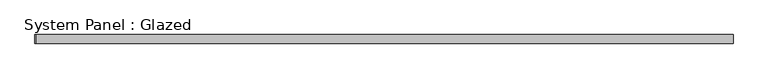
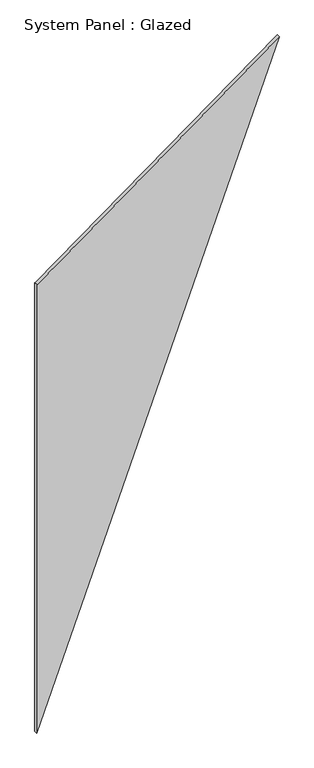
"""IFC4 building model written with IfcOpenShell, lengths in millimetres: plate geometry, System Panel : Glazed."""

import ifcopenshell
import ifcopenshell.guid

model = None  # the IFC model being written
_history = None  # IfcOwnerHistory: only IFC2X3 demands one
_inside = {}  # id of a spatial element -> (the spatial element, [elements in it])
_under = {}  # id of a project, library or spatial element -> (it, [spatial elements below it])
_declared = {}  # id of a project -> (the project, [libraries it declares])
_typed = {}  # id of a type object -> (the type object, [elements of that type])
_made_of = {}  # id of a material, layer set ... -> (it, [elements and type objects made of it])


def new_model(schema):
    """Start an empty IFC model of exactly this schema.

    Asked for "IFC4X3", IfcOpenShell would pick the latest addendum, in which some entities
    have other attributes; the version numbers below select the first issue.
    IFC2X3 requires an IfcOwnerHistory on every rooted entity: one is made here for all.
    """
    global model, _history
    if schema == "IFC4X3":
        model = ifcopenshell.file(schema_version=(4, 3, 0, 0))
    else:
        model = ifcopenshell.file(schema=schema)
    _inside.clear()
    _under.clear()
    _declared.clear()
    _typed.clear()
    _made_of.clear()
    _history = None
    if model.schema == "IFC2X3":
        org = make("IfcOrganization", Name="unknown")
        user = make(
            "IfcPersonAndOrganization",
            ThePerson=make("IfcPerson", FamilyName="unknown"),
            TheOrganization=org,
        )
        app = make(
            "IfcApplication",
            ApplicationDeveloper=org,
            Version="unknown",
            ApplicationFullName="unknown",
            ApplicationIdentifier="unknown",
        )
        _history = make(
            "IfcOwnerHistory",
            OwningUser=user,
            OwningApplication=app,
            ChangeAction="ADDED",
            CreationDate=0,
        )
    return model


def make(cls, **values):
    """One entity of the class cls with the attributes given. An attribute that is None is left unset."""
    return model.create_entity(
        cls, **{name: value for name, value in values.items() if value is not None}
    )


def rooted(cls, **values):
    """An entity with a GlobalId (a new one), such as an element, a storey or a relation."""
    return make(cls, GlobalId=ifcopenshell.guid.new(), OwnerHistory=_history, **values)


def si_unit(unit_type, name, prefix=None):
    """IfcSIUnit, for example si_unit("LENGTHUNIT", "METRE", prefix="MILLI")."""
    return make("IfcSIUnit", UnitType=unit_type, Prefix=prefix, Name=name)


def assignment(units):
    """IfcUnitAssignment: the units of a project."""
    return None if units is None else make("IfcUnitAssignment", Units=units)


def point(xyz):
    """IfcCartesianPoint."""
    return None if xyz is None else make("IfcCartesianPoint", Coordinates=xyz)


def direction(xyz):
    """IfcDirection."""
    return None if xyz is None else make("IfcDirection", DirectionRatios=xyz)


def frame(location, z_axis=None, x_axis=None):
    """IfcAxis2Placement3D, a coordinate frame: its origin and axes. An axis left out is left unset."""
    return make(
        "IfcAxis2Placement3D",
        Location=point(location),
        Axis=direction(z_axis),
        RefDirection=direction(x_axis),
    )


def origin():
    """The frame at (0, 0, 0) with its axes left unset."""
    return frame((0.0, 0.0, 0.0))


def place(relative_to, where):
    """IfcLocalPlacement: puts the frame where relative to a parent placement (None: the world)."""
    return make(
        "IfcLocalPlacement", PlacementRelTo=relative_to, RelativePlacement=where
    )


def context(
    kind, dimensions, precision=None, world=None, true_north=None, identifier=None
):
    """IfcGeometricRepresentationContext, for example the 3D "Model" context."""
    return make(
        "IfcGeometricRepresentationContext",
        ContextIdentifier=identifier,
        ContextType=kind,
        CoordinateSpaceDimension=dimensions,
        Precision=precision,
        WorldCoordinateSystem=world,
        TrueNorth=true_north,
    )


def project(units=None, contexts=None):
    """IfcProject with its units and contexts."""
    return rooted(
        "IfcProject",
        Name="project",
        RepresentationContexts=contexts,
        UnitsInContext=assignment(units),
    )


def spatial(cls, under=None, at=None, **own):
    """A site, building, storey or space (cls), placed at a placement, below another one or the project."""
    s = rooted(cls, ObjectPlacement=at, **own)
    if under is not None:
        _under.setdefault(under.id(), (under, []))[1].append(s)
    return s


def polyline(points):
    """IfcPolyline through the points."""
    return make("IfcPolyline", Points=[point(p) for p in points])


def outline(outer, holes=None, kind="AREA"):
    """IfcArbitraryClosedProfileDef: a profile drawn as a closed curve; with holes, ...WithVoids."""
    if holes is None:
        return make("IfcArbitraryClosedProfileDef", ProfileType=kind, OuterCurve=outer)
    return make(
        "IfcArbitraryProfileDefWithVoids",
        ProfileType=kind,
        OuterCurve=outer,
        InnerCurves=holes,
    )


def extrude(swept, where, along, depth):
    """IfcExtrudedAreaSolid: the profile swept, set in the frame where, extruded along a direction by depth."""
    return make(
        "IfcExtrudedAreaSolid",
        SweptArea=swept,
        Position=where,
        ExtrudedDirection=direction(along),
        Depth=depth,
    )


def shape(context_of_items, identifier, shape_type, items):
    """IfcShapeRepresentation: the items that make up one representation, for example the "Body"."""
    return make(
        "IfcShapeRepresentation",
        ContextOfItems=context_of_items,
        RepresentationIdentifier=identifier,
        RepresentationType=shape_type,
        Items=items,
    )


def source(mapping_origin, context_of_items, identifier, shape_type, items):
    """IfcRepresentationMap: a shape defined once, which mapped items show again and again."""
    return make(
        "IfcRepresentationMap",
        MappingOrigin=mapping_origin,
        MappedRepresentation=shape(context_of_items, identifier, shape_type, items),
    )


def transform(
    local_origin,
    x_axis=None,
    y_axis=None,
    z_axis=None,
    scale=None,
    scale2=None,
    scale3=None,
    uniform=True,
):
    """IfcCartesianTransformationOperator3D, or its non-uniform kind. x_axis, y_axis, z_axis: its Axis1, 2, 3."""
    if uniform:
        return make(
            "IfcCartesianTransformationOperator3D",
            Axis1=direction(x_axis),
            Axis2=direction(y_axis),
            LocalOrigin=point(local_origin),
            Scale=scale,
            Axis3=direction(z_axis),
        )
    return make(
        "IfcCartesianTransformationOperator3DnonUniform",
        Axis1=direction(x_axis),
        Axis2=direction(y_axis),
        LocalOrigin=point(local_origin),
        Scale=scale,
        Axis3=direction(z_axis),
        Scale2=scale2,
        Scale3=scale3,
    )


def mapped(mapping_source, mapping_target):
    """IfcMappedItem: shows the shape of a source again, moved by a transform."""
    return make(
        "IfcMappedItem", MappingSource=mapping_source, MappingTarget=mapping_target
    )


def made_of(thing, what):
    """Note that an element or type object is made of a material, layer set ...; save() writes the relation."""
    if what is not None:
        _made_of.setdefault(what.id(), (what, []))[1].append(thing)
    return thing


def element(
    cls,
    number,
    at=None,
    inside=None,
    cuts=None,
    type_object=None,
    material=None,
    context=None,
    identifier="Body",
    shape_type=None,
    held_by="IfcProductDefinitionShape",
    body=None,
    shapes=None,
    **own,
):
    """One element of the class cls, such as IfcWall. Its Tag is "e" and its number.

    at: its placement. inside: the storey or other place that contains it. cuts: it is an
    opening in that element (IfcRelVoidsElement). A single representation is given by context,
    identifier, shape_type and body (its items); several are given by shapes. held_by: the class
    of the entity that holds the representations. save() writes the other relations.
    """
    e = rooted(cls, Tag="e%d" % number, ObjectPlacement=at, **own)
    if body is not None:
        shapes = [shape(context, identifier, shape_type, body)]
    if shapes is not None:
        e.Representation = make(held_by, Representations=shapes)
    if inside is not None:
        _inside.setdefault(inside.id(), (inside, []))[1].append(e)
    if cuts is not None:
        rooted(
            "IfcRelVoidsElement", RelatingBuildingElement=cuts, RelatedOpeningElement=e
        )
    if type_object is not None:
        _typed.setdefault(type_object.id(), (type_object, []))[1].append(e)
    return made_of(e, material)


def aggregate(whole, parts):
    """IfcRelAggregates: a whole, such as a stair, and the parts it consists of."""
    return rooted("IfcRelAggregates", RelatingObject=whole, RelatedObjects=parts)


def save(model, path):
    """Write the relations noted so far, then the file.

    IfcRelAggregates (storeys below a building ...), IfcRelContainedInSpatialStructure (elements
    in a storey), IfcRelDefinesByType, IfcRelAssociatesMaterial and IfcRelDeclares: one each for
    every whole, place, type object, material and project.
    """
    for whole, parts in _under.values():
        aggregate(whole, parts)
    for where, things in _inside.values():
        rooted(
            "IfcRelContainedInSpatialStructure",
            RelatedElements=things,
            RelatingStructure=where,
        )
    for kind, things in _typed.values():
        rooted("IfcRelDefinesByType", RelatedObjects=things, RelatingType=kind)
    for what, things in _made_of.values():
        rooted("IfcRelAssociatesMaterial", RelatedObjects=things, RelatingMaterial=what)
    for by, libraries in _declared.values():
        rooted("IfcRelDeclares", RelatingContext=by, RelatedDefinitions=libraries)
    model.write(path)


def system_panel_glazed_127b7bc1(model_context):
    return source(origin(), model_context, "Body", "SweptSolid", [
        extrude(outline(polyline([(5475.3386626, -1401.3599158), (0.0, -1401.3599158), (7515.8148735, 1401.3599158), (5469.2852211, -1396.932502), (5475.3386626, -1401.3599158)])), frame((0.0, -18.0, 0.0), z_axis=(0.0, 1.0, 0.0), x_axis=(0.0, 0.0, 1.0)), (0.0, 0.0, 1.0), 36.0),
    ])


if __name__ == "__main__":
    model = new_model("IFC4")
    model_context = context("Model", 3, world=origin())
    ifc_project = project(units=[si_unit("LENGTHUNIT", "METRE", prefix="MILLI")], contexts=[model_context])
    site = spatial("IfcSite", under=ifc_project)
    building = spatial("IfcBuilding", under=site)
    placement = place(None, origin())
    system_panel_glazed_shape = system_panel_glazed_127b7bc1(model_context)
    element("IfcPlate", 1, ObjectType="System Panel : Glazed", at=placement, inside=building, context=model_context, shape_type="MappedRepresentation", body=[
        mapped(system_panel_glazed_shape, transform((0.0, 0.0, 0.0), x_axis=(1.0, 0.0, 0.0), y_axis=(0.0, 1.0, 0.0), z_axis=(0.0, 0.0, 1.0))),
    ])
    save(model, "model.ifc")
